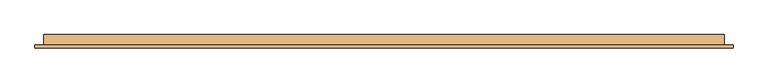
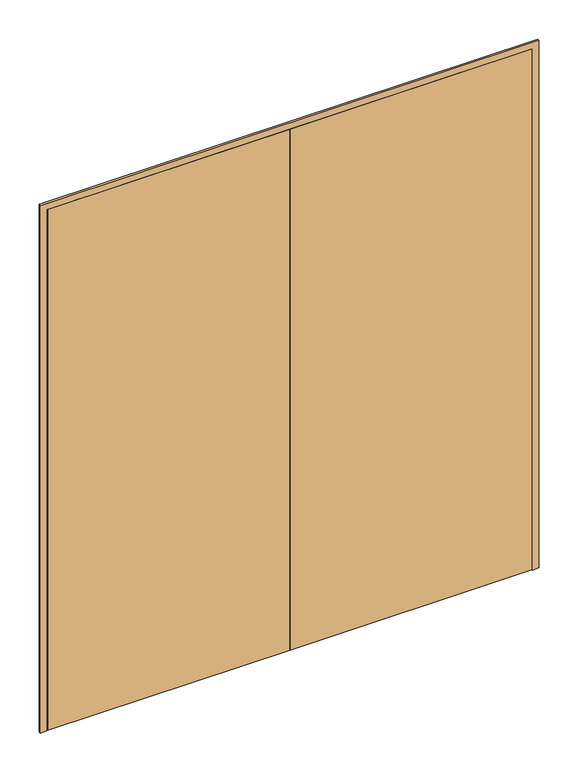
"""IFC4 building model written with IfcOpenShell, lengths in millimetres: door geometry."""

from ifc_helpers import new_model, si_unit, frame, origin, place, context, project, spatial, polyline, outline, extrude, faceted_brep, source, transform, mapped, element, save


def door_22cdb4e1(model_context):
    return source(origin(), model_context, "Body", "SolidModel", [
        faceted_brep([(-1188.0, 37.0, 0.0), (-1188.0, 0.0, 0.0), (-1198.0, 0.0, 0.0), (-1198.0, 37.0, 0.0), (-1188.0, 37.0, 2708.0), (-1188.0, 0.0, 2708.0), (-1198.0, 0.0, 2718.0), (-1198.0, 37.0, 2718.0), (1188.0, 37.0, 0.0), (1198.0, 37.0, 0.0), (1198.0, 0.0, 0.0), (1188.0, 0.0, 0.0), (1198.0, 37.0, 2718.0), (1188.0, 37.0, 2708.0), (1198.0, 0.0, 2718.0), (1188.0, 0.0, 2708.0)], [[[0, 1, 2, 3]], [[0, 4, 5, 1]], [[1, 5, 6, 2]], [[2, 6, 7, 3]], [[3, 7, 4, 0]], [[8, 9, 10, 11]], [[12, 9, 8, 13]], [[14, 10, 9, 12]], [[15, 11, 10, 14]], [[13, 8, 11, 15]], [[4, 13, 15, 5]], [[5, 15, 14, 6]], [[6, 14, 12, 7]], [[7, 12, 13, 4]]]),
        extrude(outline(polyline([(2750.0, -1230.0), (0.0, -1230.0), (0.0, -1198.0), (2718.0, -1198.0), (2718.0, 1198.0), (0.0, 1198.0), (0.0, 1230.0), (2750.0, 1230.0), (2750.0, -1230.0)])), frame((0.0, -10.0, 0.0), z_axis=(0.0, 1.0, 0.0), x_axis=(0.0, 0.0, 1.0)), (0.0, 0.0, 1.0), 10.0),
        extrude(outline(polyline([(1.0739506, 34.0), (1.0739506, -10.0), (-1195.0, -10.0), (-1195.0, 34.0), (1.0739506, 34.0)])), frame((0.0, 0.0, 1.753223), z_axis=(0.0, 0.0, 1.0), x_axis=(1.0, 0.0, 0.0)), (0.0, 0.0, 1.0), 2716.246777),
        extrude(outline(polyline([(1195.0, 34.0), (1195.0, -10.0), (1.0739506, -10.0), (1.0739506, 34.0), (1195.0, 34.0)])), frame((0.0, 0.0, 1.753223), z_axis=(0.0, 0.0, 1.0), x_axis=(1.0, 0.0, 0.0)), (0.0, 0.0, 1.0), 2716.246777),
    ])


if __name__ == "__main__":
    model = new_model("IFC4")
    model_context = context("Model", 3, world=origin())
    ifc_project = project(units=[si_unit("LENGTHUNIT", "METRE", prefix="MILLI")], contexts=[model_context])
    site = spatial("IfcSite", under=ifc_project)
    building = spatial("IfcBuilding", under=site)
    placement = place(None, origin())
    door_shape = door_22cdb4e1(model_context)
    element("IfcDoor", 1, at=placement, inside=building, context=model_context, shape_type="MappedRepresentation", body=[
        mapped(door_shape, transform((0.0, 0.0, 0.0), x_axis=(1.0, 0.0, 0.0), y_axis=(0.0, 1.0, 0.0), z_axis=(0.0, 0.0, 1.0))),
    ])
    save(model, "model.ifc")
